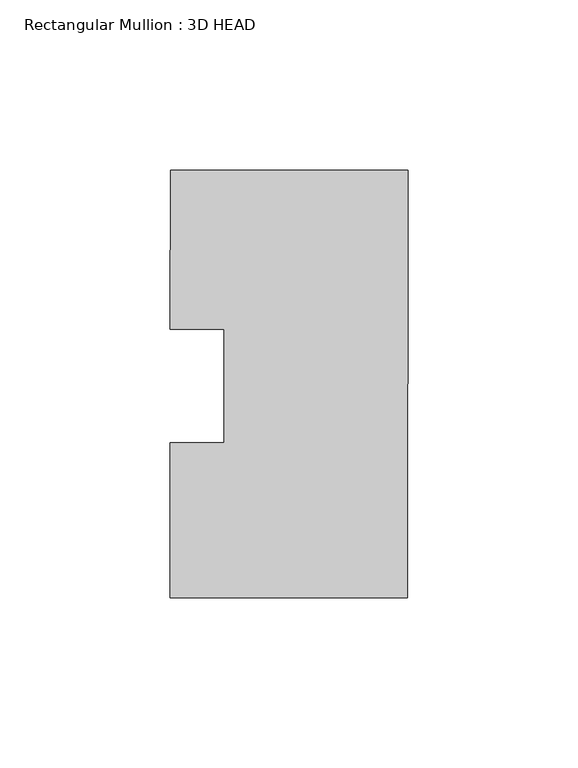
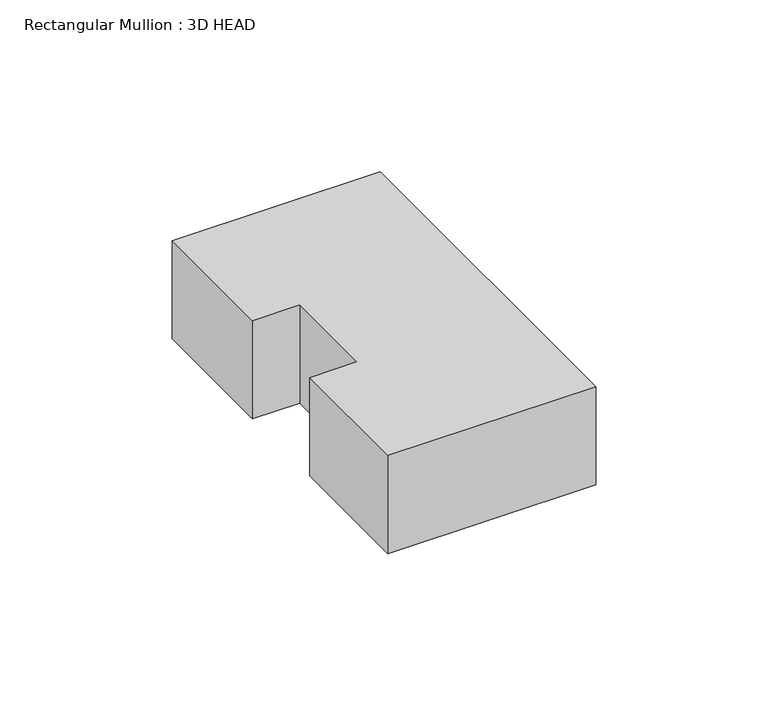
"""IFC4 building model written with IfcOpenShell, lengths in millimetres: member geometry, Rectangular Mullion : 3D HEAD."""

from ifc_helpers import new_model, si_unit, frame, origin, place, context, project, spatial, polyline, outline, extrude, source, transform, mapped, element, save


def rectangular_mullion_3d_head_4572a09d(model_context):
    return source(origin(), model_context, "Body", "SweptSolid", [
        extrude(outline(polyline([(-69.9433395, -16.6773033), (-54.0683503, -16.6957868), (-54.0294719, 16.6957868), (-69.9044612, 16.7142704), (-69.8499527, 63.5301323), (0.0, 63.4488048), (-0.1464486, -62.3319099), (-69.9964013, -62.2505824), (-69.9433395, -16.6773033)])), frame((0.0, 0.0, -34.925), z_axis=(0.0, 0.0, 1.0), x_axis=(1.0, 0.0, 0.0)), (0.0, 0.0, 1.0), 34.925),
    ])


if __name__ == "__main__":
    model = new_model("IFC4")
    model_context = context("Model", 3, world=origin())
    ifc_project = project(units=[si_unit("LENGTHUNIT", "METRE", prefix="MILLI")], contexts=[model_context])
    site = spatial("IfcSite", under=ifc_project)
    building = spatial("IfcBuilding", under=site)
    placement = place(None, origin())
    rectangular_mullion_3d_head_shape = rectangular_mullion_3d_head_4572a09d(model_context)
    element("IfcMember", 1, ObjectType="Rectangular Mullion : 3D HEAD", at=placement, inside=building, context=model_context, shape_type="MappedRepresentation", body=[
        mapped(rectangular_mullion_3d_head_shape, transform((0.0, 0.0, 0.0), x_axis=(1.0, 0.0, 0.0), y_axis=(0.0, 1.0, 0.0), z_axis=(0.0, 0.0, 1.0))),
    ])
    save(model, "model.ifc")
